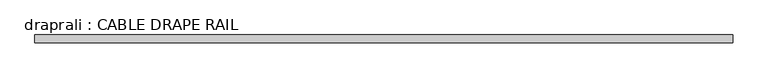
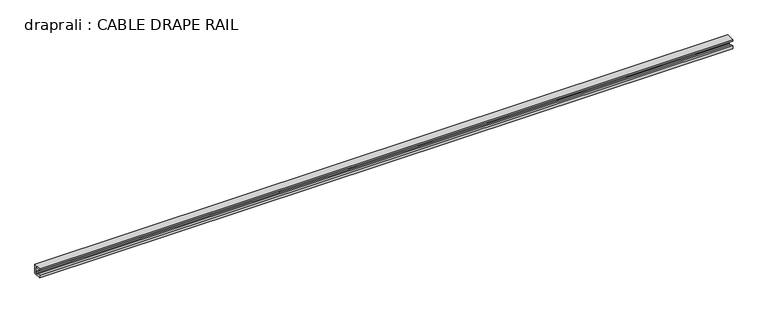
"""IFC4 building model written with IfcOpenShell, lengths in millimetres: proxy geometry, draprali : CABLE DRAPE RAIL."""

from ifc_helpers import new_model, si_unit, frame, origin, place, context, project, spatial, polyline, outline, extrude, source, transform, mapped, element, save


def draprali_cable_drape_rail_50eea94f(model_context):
    return source(origin(), model_context, "Body", "SweptSolid", [
        extrude(outline(polyline([(-186.2970657, 2743.2), (-186.2970657, 2667.0), (-249.7970657, 2667.0), (-249.7970657, 2689.9004123), (-232.7578554, 2689.9004123), (-232.7578554, 2680.2041551), (-206.050334, 2680.2041551), (-206.050334, 2689.9004123), (-197.2096289, 2689.9004123), (-197.2096289, 2729.5879123), (-249.7970657, 2729.5879123), (-249.7970657, 2743.2), (-186.2970657, 2743.2)])), frame((-8.9987289, 0.0, 0.0), z_axis=(1.0, 0.0, 0.0), x_axis=(0.0, 1.0, 0.0)), (0.0, 0.0, 1.0), 5486.4),
    ])


if __name__ == "__main__":
    model = new_model("IFC4")
    model_context = context("Model", 3, world=origin())
    ifc_project = project(units=[si_unit("LENGTHUNIT", "METRE", prefix="MILLI")], contexts=[model_context])
    site = spatial("IfcSite", under=ifc_project)
    building = spatial("IfcBuilding", under=site)
    placement = place(None, origin())
    draprali_cable_drape_rail_shape = draprali_cable_drape_rail_50eea94f(model_context)
    element("IfcBuildingElementProxy", 1, Name="draprali : CABLE DRAPE RAIL", ObjectType="draprali : CABLE DRAPE RAIL", at=placement, inside=building, context=model_context, shape_type="MappedRepresentation", body=[
        mapped(draprali_cable_drape_rail_shape, transform((0.0, 0.0, 0.0), x_axis=(1.0, 0.0, 0.0), y_axis=(0.0, 1.0, 0.0), z_axis=(0.0, 0.0, 1.0))),
    ])
    save(model, "model.ifc")
